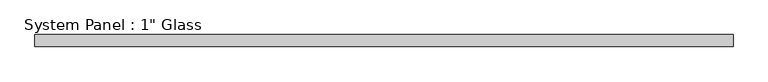
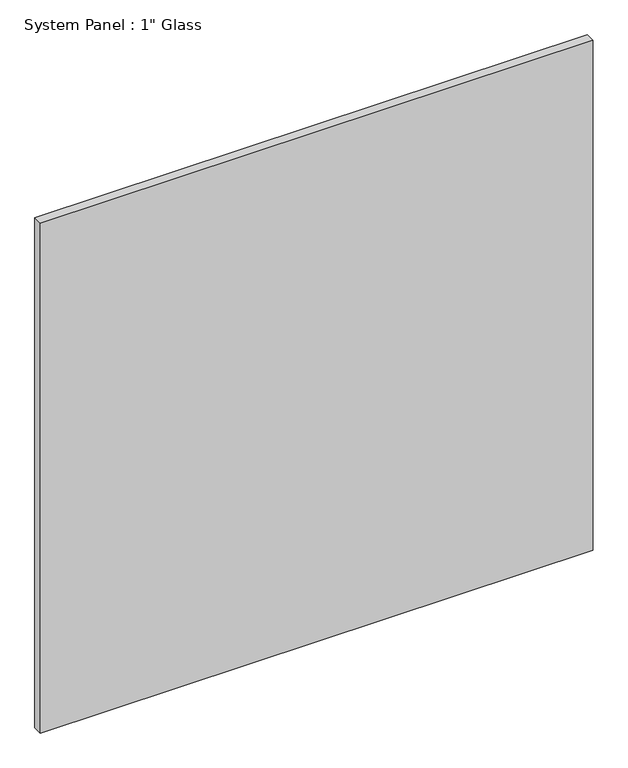
"""IFC4 building model written with IfcOpenShell, lengths in millimetres: plate geometry."""

from ifc_helpers import new_model, si_unit, origin, origin_with_axes, place, context, project, spatial, polyline, outline, extrude, source, transform, mapped, element, save


def plate_6ba9b04e(model_context):
    return source(origin(), model_context, "Body", "SweptSolid", [
        extrude(outline(polyline([(734.0055865, -12.7), (-734.0055865, -12.7), (-734.0055865, 12.7), (734.0055865, 12.7), (734.0055865, -12.7)])), origin_with_axes(), (0.0, 0.0, 1.0), 1431.2917704),
    ])


if __name__ == "__main__":
    model = new_model("IFC4")
    model_context = context("Model", 3, world=origin())
    ifc_project = project(units=[si_unit("LENGTHUNIT", "METRE", prefix="MILLI")], contexts=[model_context])
    site = spatial("IfcSite", under=ifc_project)
    building = spatial("IfcBuilding", under=site)
    placement = place(None, origin())
    plate_shape = plate_6ba9b04e(model_context)
    element("IfcPlate", 1, ObjectType="System Panel : 1\" Glass", at=placement, inside=building, context=model_context, shape_type="MappedRepresentation", body=[
        mapped(plate_shape, transform((0.0, 0.0, 0.0), x_axis=(1.0, 0.0, 0.0), y_axis=(0.0, 1.0, 0.0), z_axis=(0.0, 0.0, 1.0))),
    ])
    save(model, "model.ifc")
